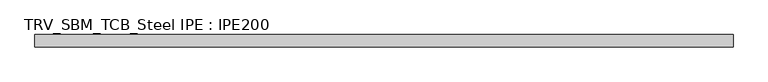
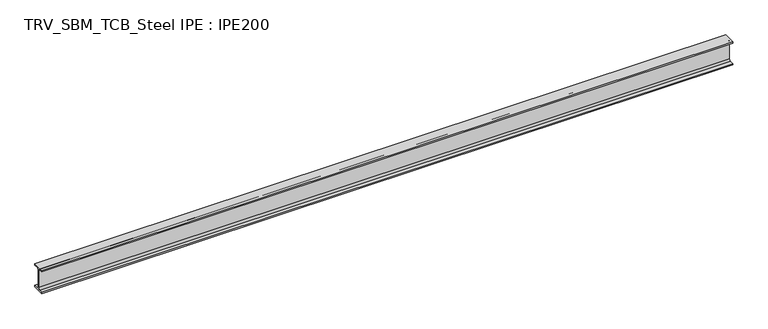
"""IFC4 building model written with IfcOpenShell, lengths in millimetres: beam geometry, TRV_SBM_TCB_Steel IPE : IPE200."""

from ifc_helpers import new_model, si_unit, point, frame, frame_2d, origin, place, context, project, spatial, polyline, circle_curve, trimmed, segment, composite_curve, outline, extrude, source, transform, mapped, element, save


def trv_sbm_tcb_steel_ipe_ipe200_7a45e109(model_context):
    return source(origin(), model_context, "Body", "SweptSolid", [
        extrude(outline(composite_curve([segment(polyline([(50.0, -89.3), (50.0, -100.0), (-50.0, -100.0), (-50.0, -89.3), (-18.55, -89.3)]), True, "CONTINUOUS"), segment(trimmed(circle_curve(frame_2d((-18.55, -74.3)), 15.0), [point((-18.55, -89.3))], [point((-3.55, -74.3))], True, "CARTESIAN"), True, "CONTINUOUS"), segment(polyline([(-3.55, -74.3), (-3.55, 74.3)]), True, "CONTINUOUS"), segment(trimmed(circle_curve(frame_2d((-18.55, 74.3)), 15.0), [point((-3.55, 74.3))], [point((-18.55, 89.3))], True, "CARTESIAN"), True, "CONTINUOUS"), segment(polyline([(-18.55, 89.3), (-50.0, 89.3), (-50.0, 100.0), (50.0, 100.0), (50.0, 89.3), (18.55, 89.3)]), True, "CONTINUOUS"), segment(trimmed(circle_curve(frame_2d((18.55, 74.3)), 15.0), [point((18.55, 89.3))], [point((3.55, 74.3))], True, "CARTESIAN"), True, "CONTINUOUS"), segment(polyline([(3.55, 74.3), (3.55, -74.3)]), True, "CONTINUOUS"), segment(trimmed(circle_curve(frame_2d((18.55, -74.3)), 15.0), [point((3.55, -74.3))], [point((18.55, -89.3))], True, "CARTESIAN"), True, "CONTINUOUS"), segment(polyline([(18.55, -89.3), (50.0, -89.3)]), True, "CONTINUOUS")], self_intersect=False)), frame((-2845.5, 0.0, 0.0), z_axis=(1.0, 0.0, 0.0), x_axis=(0.0, 1.0, 0.0)), (0.0, 0.0, 1.0), 5711.0),
    ])


if __name__ == "__main__":
    model = new_model("IFC4")
    model_context = context("Model", 3, world=origin())
    ifc_project = project(units=[si_unit("LENGTHUNIT", "METRE", prefix="MILLI")], contexts=[model_context])
    site = spatial("IfcSite", under=ifc_project)
    building = spatial("IfcBuilding", under=site)
    placement = place(None, origin())
    trv_sbm_tcb_steel_ipe_ipe200_shape = trv_sbm_tcb_steel_ipe_ipe200_7a45e109(model_context)
    element("IfcBeam", 1, ObjectType="TRV_SBM_TCB_Steel IPE : IPE200", at=placement, inside=building, context=model_context, shape_type="MappedRepresentation", body=[
        mapped(trv_sbm_tcb_steel_ipe_ipe200_shape, transform((0.0, 0.0, 0.0), x_axis=(1.0, 0.0, 0.0), y_axis=(0.0, 1.0, 0.0), z_axis=(0.0, 0.0, 1.0))),
    ])
    save(model, "model.ifc")
